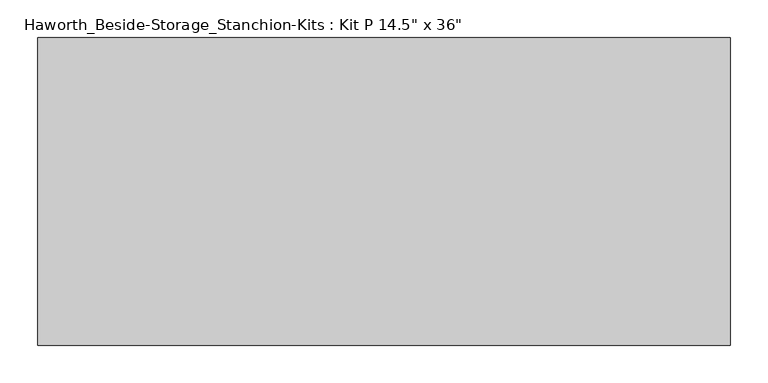
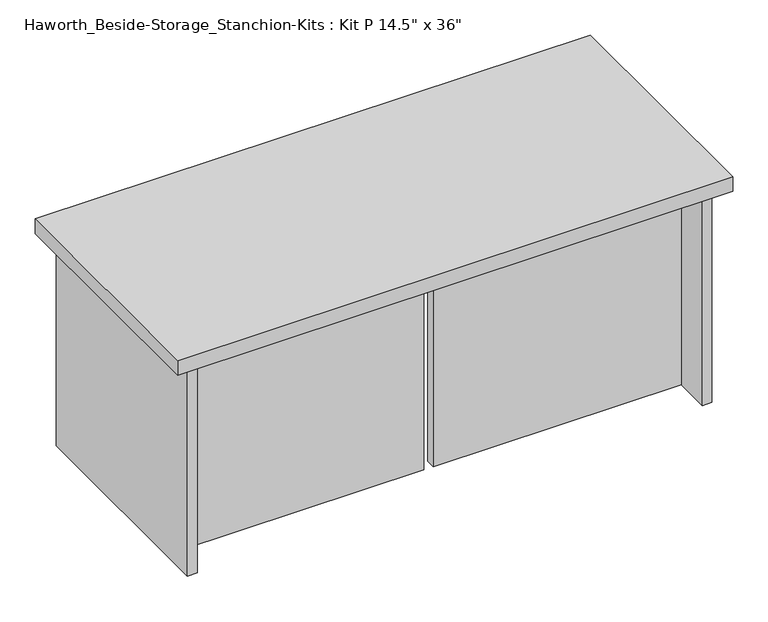
"""IFC4 building model written with IfcOpenShell, lengths in millimetres: furniture geometry."""

from ifc_helpers import new_model, si_unit, frame, origin, place, context, project, spatial, polyline, outline, extrude, source, transform, mapped, element, save


def furniture_8f1c1725(model_context):
    return source(origin(), model_context, "Body", "SweptSolid", [
        extrude(outline(polyline([(619.125, 0.0), (-295.275, 0.0), (-295.275, 406.4), (619.125, 406.4), (619.125, 0.0)])), frame((0.0, 0.0, 1104.9), z_axis=(0.0, 0.0, 1.0), x_axis=(1.0, 0.0, 0.0)), (0.0, 0.0, 1.0), 25.4),
        extrude(outline(polyline([(169.8625, 76.2), (169.8625, 92.075), (577.85, 92.075), (577.85, 76.2), (169.8625, 76.2)])), frame((0.0, 0.0, 736.6), z_axis=(0.0, 0.0, 1.0), x_axis=(1.0, 0.0, 0.0)), (0.0, 0.0, 1.0), 368.3),
        extrude(outline(polyline([(153.9875, 76.2), (-254.0, 76.2), (-254.0, 92.075), (153.9875, 92.075), (153.9875, 76.2)])), frame((0.0, 0.0, 736.6), z_axis=(0.0, 0.0, 1.0), x_axis=(1.0, 0.0, 0.0)), (0.0, 0.0, 1.0), 368.3),
        extrude(outline(polyline([(593.725, 390.525), (593.725, 15.875), (577.85, 15.875), (577.85, 390.525), (593.725, 390.525)])), frame((0.0, 0.0, 736.6), z_axis=(0.0, 0.0, 1.0), x_axis=(1.0, 0.0, 0.0)), (0.0, 0.0, 1.0), 368.3),
        extrude(outline(polyline([(-254.0, 390.525), (-254.0, 15.875), (-269.875, 15.875), (-269.875, 390.525), (-254.0, 390.525)])), frame((0.0, 0.0, 736.6), z_axis=(0.0, 0.0, 1.0), x_axis=(1.0, 0.0, 0.0)), (0.0, 0.0, 1.0), 368.3),
    ])


if __name__ == "__main__":
    model = new_model("IFC4")
    model_context = context("Model", 3, world=origin())
    ifc_project = project(units=[si_unit("LENGTHUNIT", "METRE", prefix="MILLI")], contexts=[model_context])
    site = spatial("IfcSite", under=ifc_project)
    building = spatial("IfcBuilding", under=site)
    placement = place(None, origin())
    furniture_shape = furniture_8f1c1725(model_context)
    element("IfcFurniture", 1, ObjectType="Haworth_Beside-Storage_Stanchion-Kits : Kit P 14.5\" x 36\"", at=placement, inside=building, context=model_context, shape_type="MappedRepresentation", body=[
        mapped(furniture_shape, transform((0.0, 0.0, 0.0), x_axis=(1.0, 0.0, 0.0), y_axis=(0.0, 1.0, 0.0), z_axis=(0.0, 0.0, 1.0))),
    ])
    save(model, "model.ifc")
